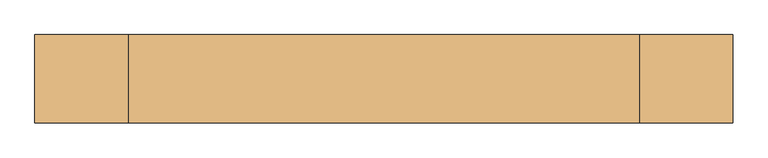
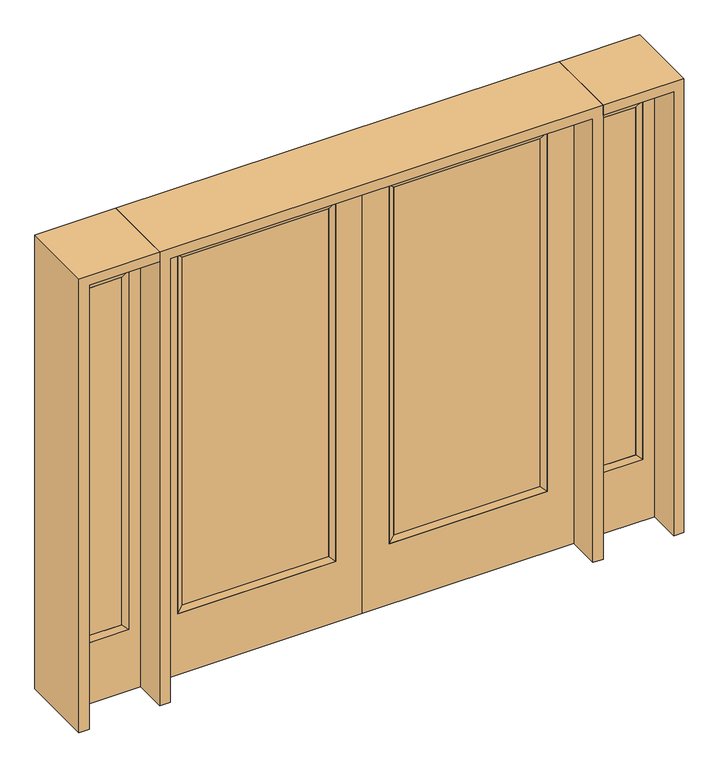
"""IFC4 building model written with IfcOpenShell, lengths in millimetres: door geometry."""

from ifc_helpers import new_model, si_unit, frame, origin, place, context, project, spatial, polyline, outline, extrude, faceted_brep, source, transform, mapped, element, save


def door_ba632503(model_context):
    return source(origin(), model_context, "Body", "SolidModel", [
        extrude(outline(polyline([(140.8176, -12.7039749), (140.8176, 14.2875), (773.5824, 14.2875), (773.5824, -12.7039749), (140.8176, -12.7039749)])), frame((0.0, 0.0, 304.8), z_axis=(0.0, 0.0, 1.0), x_axis=(1.0, 0.0, 0.0)), (0.0, 0.0, 1.0), 1590.675),
        faceted_brep([(140.8176, 14.2875, 1895.475), (140.8176, 14.2875, 304.8), (115.4176, 22.225, 279.4), (115.4176, 22.225, 1920.875), (115.4176, -22.225, 279.4), (115.4176, -22.225, 1920.875), (773.5824, 14.2875, 304.8), (798.9824, 22.225, 279.4), (140.8176, -12.7039749, 1895.475), (140.8176, -12.7039749, 304.8), (773.5824, -12.7039749, 304.8), (798.9824, -22.225, 279.4), (773.5824, 14.2875, 1895.475), (798.9824, 22.225, 1920.875), (773.5824, -12.7039749, 1895.475), (798.9824, -22.225, 1920.875)], [[[0, 1, 2, 3]], [[3, 2, 4, 5]], [[1, 6, 7, 2]], [[8, 9, 1, 0]], [[9, 10, 6, 1]], [[5, 4, 9, 8]], [[4, 11, 10, 9]], [[2, 7, 11, 4]], [[6, 12, 13, 7]], [[10, 14, 12, 6]], [[11, 15, 14, 10]], [[7, 13, 15, 11]], [[12, 0, 3, 13]], [[14, 8, 0, 12]], [[15, 5, 8, 14]], [[13, 3, 5, 15]]]),
        extrude(outline(polyline([(0.0, 914.4), (2032.0, 914.4), (2032.0, 0.0), (0.0, 0.0), (0.0, 914.4)]), holes=[polyline([(279.4, 798.9824), (279.4, 115.4176), (1920.875, 115.4176), (1920.875, 798.9824), (279.4, 798.9824)])]), frame((0.0, -22.225, 0.0), z_axis=(0.0, 1.0, 0.0), x_axis=(0.0, 0.0, 1.0)), (0.0, 0.0, 1.0), 44.45),
        extrude(outline(polyline([(-140.8176, -12.7039749), (-773.5824, -12.7039749), (-773.5824, 14.2875), (-140.8176, 14.2875), (-140.8176, -12.7039749)])), frame((0.0, 0.0, 304.8), z_axis=(0.0, 0.0, 1.0), x_axis=(1.0, 0.0, 0.0)), (0.0, 0.0, 1.0), 1590.675),
        faceted_brep([(-140.8176, 14.2875, 1895.475), (-115.4176, 22.225, 1920.875), (-115.4176, 22.225, 279.4), (-140.8176, 14.2875, 304.8), (-115.4176, -22.225, 1920.875), (-115.4176, -22.225, 279.4), (-798.9824, 22.225, 279.4), (-773.5824, 14.2875, 304.8), (-140.8176, -12.7039749, 1895.475), (-140.8176, -12.7039749, 304.8), (-773.5824, -12.7039749, 304.8), (-798.9824, -22.225, 279.4), (-798.9824, 22.225, 1920.875), (-773.5824, 14.2875, 1895.475), (-773.5824, -12.7039749, 1895.475), (-798.9824, -22.225, 1920.875)], [[[0, 1, 2, 3]], [[1, 4, 5, 2]], [[3, 2, 6, 7]], [[8, 0, 3, 9]], [[9, 3, 7, 10]], [[4, 8, 9, 5]], [[5, 9, 10, 11]], [[2, 5, 11, 6]], [[7, 6, 12, 13]], [[10, 7, 13, 14]], [[11, 10, 14, 15]], [[6, 11, 15, 12]], [[13, 12, 1, 0]], [[14, 13, 0, 8]], [[15, 14, 8, 4]], [[12, 15, 4, 1]]]),
        extrude(outline(polyline([(0.0, -914.4), (0.0, 0.0), (2032.0, 0.0), (2032.0, -914.4), (0.0, -914.4)]), holes=[polyline([(279.4, -798.9824), (1920.875, -798.9824), (1920.875, -115.4176), (279.4, -115.4176), (279.4, -798.9824)])]), frame((0.0, -22.225, 0.0), z_axis=(0.0, 1.0, 0.0), x_axis=(0.0, 0.0, 1.0)), (0.0, 0.0, 1.0), 44.45),
        faceted_brep([(1009.65, 20.6375, 1920.875), (1009.65, 20.6375, 279.4), (1009.65, -20.6375, 279.4), (1009.65, -20.6375, 1920.875), (1035.05, -12.7, 304.8), (1035.05, -12.7, 1895.475), (1212.85, 20.6375, 279.4), (1212.85, -20.6375, 279.4), (1035.05, 12.7, 1895.475), (1035.05, 12.7, 304.8), (1187.45, 12.7, 304.8), (1187.45, -12.7, 304.8), (1212.85, 20.6375, 1920.875), (1212.85, -20.6375, 1920.875), (1187.45, 12.7, 1895.475), (1187.45, -12.7, 1895.475)], [[[0, 1, 2, 3]], [[3, 2, 4, 5]], [[1, 6, 7, 2]], [[8, 9, 1, 0]], [[9, 10, 6, 1]], [[5, 4, 9, 8]], [[4, 11, 10, 9]], [[2, 7, 11, 4]], [[6, 12, 13, 7]], [[10, 14, 12, 6]], [[11, 15, 14, 10]], [[7, 13, 15, 11]], [[12, 0, 3, 13]], [[14, 8, 0, 12]], [[15, 5, 8, 14]], [[13, 3, 5, 15]]]),
        extrude(outline(polyline([(0.0, 1263.65), (2032.0, 1263.65), (2032.0, 958.85), (0.0, 958.85), (0.0, 1263.65)]), holes=[polyline([(1920.875, 1009.65), (1920.875, 1212.85), (279.4, 1212.85), (279.4, 1009.65), (1920.875, 1009.65)])]), frame((0.0, -20.6375, 0.0), z_axis=(0.0, 1.0, 0.0), x_axis=(0.0, 0.0, 1.0)), (0.0, 0.0, 1.0), 41.275),
        extrude(outline(polyline([(1035.05, -12.7), (1035.05, 12.7), (1187.45, 12.7), (1187.45, -12.7), (1035.05, -12.7)])), frame((0.0, 0.0, 304.8), z_axis=(0.0, 0.0, 1.0), x_axis=(1.0, 0.0, 0.0)), (0.0, 0.0, 1.0), 1590.675),
        faceted_brep([(-1009.65, 20.6375, 1920.875), (-1009.65, -20.6375, 1920.875), (-1009.65, -20.6375, 279.4), (-1009.65, 20.6375, 279.4), (-1035.05, -12.7, 1895.475), (-1035.05, -12.7, 304.8), (-1212.85, -20.6375, 279.4), (-1212.85, 20.6375, 279.4), (-1035.05, 12.7, 1895.475), (-1035.05, 12.7, 304.8), (-1187.45, 12.7, 304.8), (-1187.45, -12.7, 304.8), (-1212.85, -20.6375, 1920.875), (-1212.85, 20.6375, 1920.875), (-1187.45, 12.7, 1895.475), (-1187.45, -12.7, 1895.475)], [[[0, 1, 2, 3]], [[1, 4, 5, 2]], [[3, 2, 6, 7]], [[8, 0, 3, 9]], [[9, 3, 7, 10]], [[4, 8, 9, 5]], [[5, 9, 10, 11]], [[2, 5, 11, 6]], [[7, 6, 12, 13]], [[10, 7, 13, 14]], [[11, 10, 14, 15]], [[6, 11, 15, 12]], [[13, 12, 1, 0]], [[14, 13, 0, 8]], [[15, 14, 8, 4]], [[12, 15, 4, 1]]]),
        extrude(outline(polyline([(0.0, -1263.65), (0.0, -958.85), (2032.0, -958.85), (2032.0, -1263.65), (0.0, -1263.65)]), holes=[polyline([(1920.875, -1009.65), (279.4, -1009.65), (279.4, -1212.85), (1920.875, -1212.85), (1920.875, -1009.65)])]), frame((0.0, -20.6375, 0.0), z_axis=(0.0, 1.0, 0.0), x_axis=(0.0, 0.0, 1.0)), (0.0, 0.0, 1.0), 41.275),
        extrude(outline(polyline([(-1035.05, -12.7), (-1187.45, -12.7), (-1187.45, 12.7), (-1035.05, 12.7), (-1035.05, -12.7)])), frame((0.0, 0.0, 304.8), z_axis=(0.0, 0.0, 1.0), x_axis=(1.0, 0.0, 0.0)), (0.0, 0.0, 1.0), 1590.675),
        extrude(outline(polyline([(2032.0, -958.85), (2076.45, -958.85), (2076.45, -1308.1), (0.0, -1308.1), (0.0, -1263.65), (2032.0, -1263.65), (2032.0, -958.85)])), frame((0.0, -165.1, 0.0), z_axis=(0.0, 1.0, 0.0), x_axis=(0.0, 0.0, 1.0)), (0.0, 0.0, 1.0), 330.2),
        extrude(outline(polyline([(2076.45, -958.85), (0.0, -958.85), (0.0, -914.4), (2032.0, -914.4), (2032.0, 914.4), (0.0, 914.4), (0.0, 958.85), (2076.45, 958.85), (2076.45, -958.85)])), frame((0.0, -165.1, 0.0), z_axis=(0.0, 1.0, 0.0), x_axis=(0.0, 0.0, 1.0)), (0.0, 0.0, 1.0), 330.2),
        extrude(outline(polyline([(0.0, 1263.65), (0.0, 1308.1), (2076.45, 1308.1), (2076.45, 958.85), (2032.0, 958.85), (2032.0, 1263.65), (0.0, 1263.65)])), frame((0.0, -165.1, 0.0), z_axis=(0.0, 1.0, 0.0), x_axis=(0.0, 0.0, 1.0)), (0.0, 0.0, 1.0), 330.2),
    ])


if __name__ == "__main__":
    model = new_model("IFC4")
    model_context = context("Model", 3, world=origin())
    ifc_project = project(units=[si_unit("LENGTHUNIT", "METRE", prefix="MILLI")], contexts=[model_context])
    site = spatial("IfcSite", under=ifc_project)
    building = spatial("IfcBuilding", under=site)
    placement = place(None, origin())
    door_shape = door_ba632503(model_context)
    element("IfcDoor", 1, at=placement, inside=building, context=model_context, shape_type="MappedRepresentation", body=[
        mapped(door_shape, transform((0.0, 0.0, 0.0), x_axis=(1.0, 0.0, 0.0), y_axis=(0.0, 1.0, 0.0), z_axis=(0.0, 0.0, 1.0))),
    ])
    save(model, "model.ifc")
